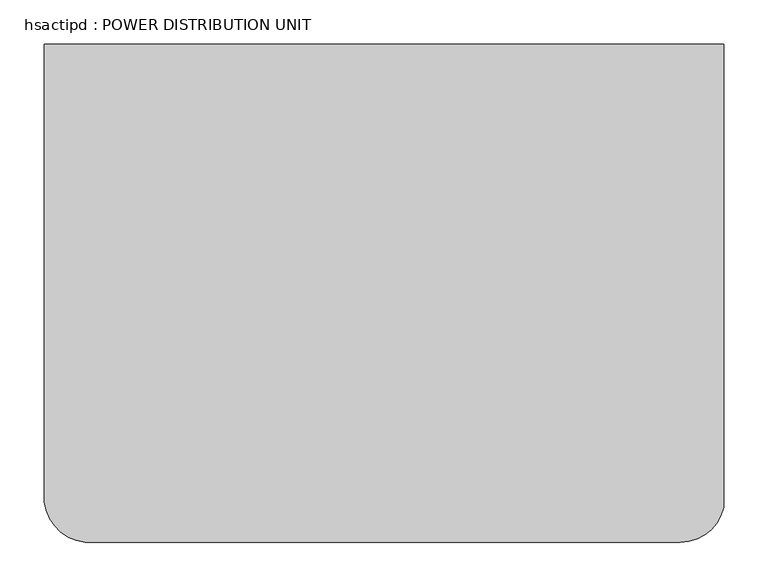
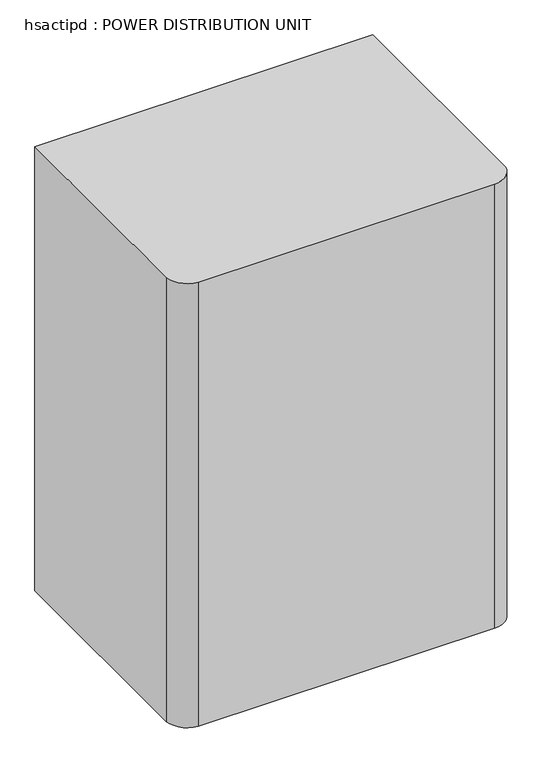
"""IFC4 building model written with IfcOpenShell, lengths in millimetres: proxy geometry, hsactipd : POWER DISTRIBUTION UNIT."""

from ifc_helpers import new_model, si_unit, point, frame_2d, origin, origin_with_axes, place, context, project, spatial, polyline, circle_curve, trimmed, segment, composite_curve, outline, extrude, source, transform, mapped, element, save


def hsactipd_power_distribution_unit_aa850e78(model_context):
    return source(origin(), model_context, "Body", "SweptSolid", [
        extrude(outline(composite_curve([segment(polyline([(777.1214984, -278.2670561), (777.1214984, -799.4290288)]), True, "CONTINUOUS"), segment(trimmed(circle_curve(frame_2d((728.6943488, -789.1796955)), 49.4998753), [point((777.1214984, -799.4290288))], [point((728.6943488, -838.6795708))], False, "CARTESIAN"), True, "CONTINUOUS"), segment(polyline([(728.6943488, -838.6795708), (58.9890922, -838.6795708)]), True, "CONTINUOUS"), segment(trimmed(circle_curve(frame_2d((64.1803622, -787.8795708)), 51.06456), [point((58.9890922, -838.6795708))], [point((13.3803622, -793.0708407))], False, "CARTESIAN"), True, "CONTINUOUS"), segment(polyline([(13.3803622, -793.0708407), (13.3803622, -278.2670561), (777.1214984, -278.2670561)]), True, "CONTINUOUS")], self_intersect=False)), origin_with_axes(), (0.0, 0.0, 1.0), 1061.72),
    ])


if __name__ == "__main__":
    model = new_model("IFC4")
    model_context = context("Model", 3, world=origin())
    ifc_project = project(units=[si_unit("LENGTHUNIT", "METRE", prefix="MILLI")], contexts=[model_context])
    site = spatial("IfcSite", under=ifc_project)
    building = spatial("IfcBuilding", under=site)
    placement = place(None, origin())
    hsactipd_power_distribution_unit_shape = hsactipd_power_distribution_unit_aa850e78(model_context)
    element("IfcBuildingElementProxy", 1, Name="hsactipd : POWER DISTRIBUTION UNIT", ObjectType="hsactipd : POWER DISTRIBUTION UNIT", at=placement, inside=building, context=model_context, shape_type="MappedRepresentation", body=[
        mapped(hsactipd_power_distribution_unit_shape, transform((0.0, 0.0, 0.0), x_axis=(1.0, 0.0, 0.0), y_axis=(0.0, 1.0, 0.0), z_axis=(0.0, 0.0, 1.0))),
    ])
    save(model, "model.ifc")
